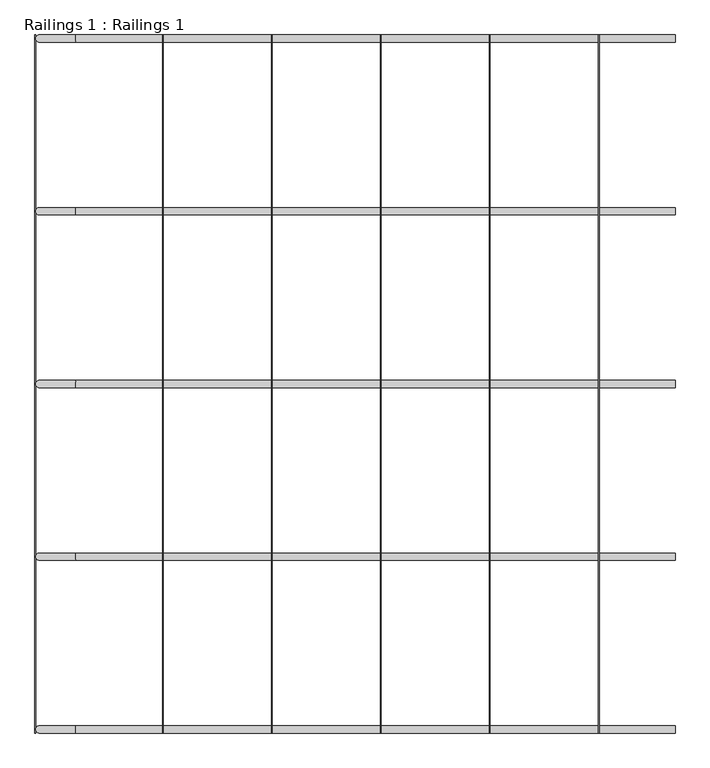
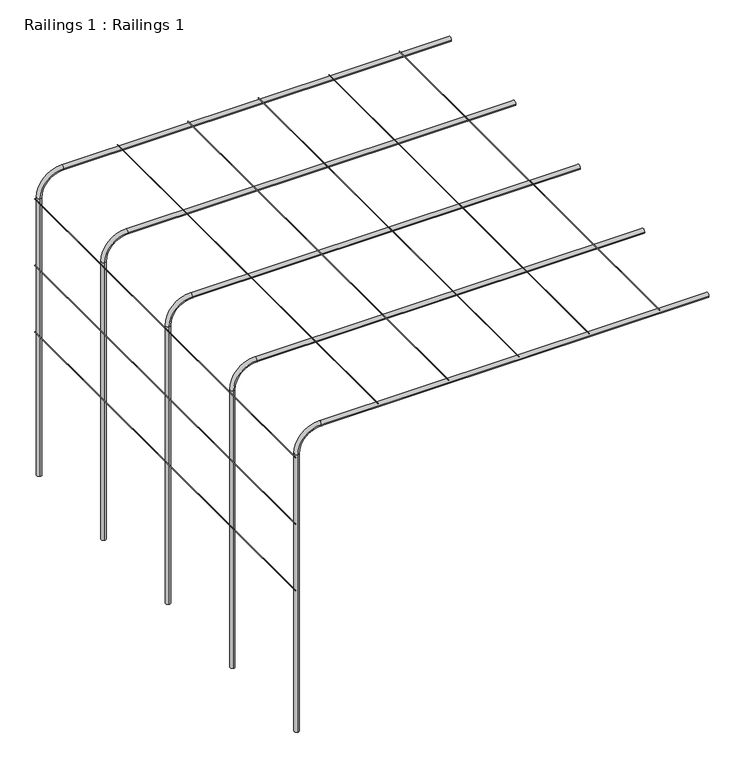
"""IFC4 building model written with IfcOpenShell, lengths in millimetres: railing geometry, Railings 1 : Railings 1."""

from ifc_helpers import new_model, si_unit, point, frame, frame_2d, origin, place, context, project, spatial, circle_curve, ellipse_curve, trimmed, segment, composite_curve, outline, extrude, source, transform, mapped, element, save
from ifc_brep_helpers import plane_surface, cylinder_surface, revolved_surface, advanced_brep


def railings_1_railings_1_2ebdb134(model_context):
    return source(origin(), model_context, "Body", "SolidModel", [
        extrude(outline(composite_curve([segment(trimmed(circle_curve(frame_2d((5522.1875, 5472.9778949)), 2.0), [point((5522.1875, 5470.9778949))], [point((5522.1875, 5474.9778949))], False, "CARTESIAN"), True, "CONTINUOUS"), segment(trimmed(circle_curve(frame_2d((5522.1875, 5472.9778949)), 2.0), [point((5522.1875, 5474.9778949))], [point((5522.1875, 5470.9778949))], False, "CARTESIAN"), True, "CONTINUOUS")], self_intersect=False)), frame((0.0, 32621.9465374, 0.0), z_axis=(0.0, 1.0, 0.0), x_axis=(0.0, 0.0, 1.0)), (0.0, 0.0, 1.0), 3840.0),
        extrude(outline(composite_curve([segment(trimmed(circle_curve(frame_2d((5522.1875, 4872.9778949)), 2.0), [point((5522.1875, 4870.9778949))], [point((5522.1875, 4874.9778949))], False, "CARTESIAN"), True, "CONTINUOUS"), segment(trimmed(circle_curve(frame_2d((5522.1875, 4872.9778949)), 2.0), [point((5522.1875, 4874.9778949))], [point((5522.1875, 4870.9778949))], False, "CARTESIAN"), True, "CONTINUOUS")], self_intersect=False)), frame((0.0, 32621.9465374, 0.0), z_axis=(0.0, 1.0, 0.0), x_axis=(0.0, 0.0, 1.0)), (0.0, 0.0, 1.0), 3840.0),
        extrude(outline(composite_curve([segment(trimmed(circle_curve(frame_2d((5522.1875, 4272.9778949)), 2.0), [point((5522.1875, 4270.9778949))], [point((5522.1875, 4274.9778949))], False, "CARTESIAN"), True, "CONTINUOUS"), segment(trimmed(circle_curve(frame_2d((5522.1875, 4272.9778949)), 2.0), [point((5522.1875, 4274.9778949))], [point((5522.1875, 4270.9778949))], False, "CARTESIAN"), True, "CONTINUOUS")], self_intersect=False)), frame((0.0, 32621.9465374, 0.0), z_axis=(0.0, 1.0, 0.0), x_axis=(0.0, 0.0, 1.0)), (0.0, 0.0, 1.0), 3840.0),
        extrude(outline(composite_curve([segment(trimmed(circle_curve(frame_2d((5522.1875, 3672.9778949)), 2.0), [point((5522.1875, 3670.9778949))], [point((5522.1875, 3674.9778949))], False, "CARTESIAN"), True, "CONTINUOUS"), segment(trimmed(circle_curve(frame_2d((5522.1875, 3672.9778949)), 2.0), [point((5522.1875, 3674.9778949))], [point((5522.1875, 3670.9778949))], False, "CARTESIAN"), True, "CONTINUOUS")], self_intersect=False)), frame((0.0, 32621.9465374, 0.0), z_axis=(0.0, 1.0, 0.0), x_axis=(0.0, 0.0, 1.0)), (0.0, 0.0, 1.0), 3840.0),
        extrude(outline(composite_curve([segment(trimmed(circle_curve(frame_2d((5522.1875, 3072.9778949)), 2.0), [point((5522.1875, 3070.9778949))], [point((5522.1875, 3074.9778949))], False, "CARTESIAN"), True, "CONTINUOUS"), segment(trimmed(circle_curve(frame_2d((5522.1875, 3072.9778949)), 2.0), [point((5522.1875, 3074.9778949))], [point((5522.1875, 3070.9778949))], False, "CARTESIAN"), True, "CONTINUOUS")], self_intersect=False)), frame((0.0, 32621.9465374, 0.0), z_axis=(0.0, 1.0, 0.0), x_axis=(0.0, 0.0, 1.0)), (0.0, 0.0, 1.0), 3840.0),
        extrude(outline(composite_curve([segment(trimmed(circle_curve(frame_2d((5281.2525299, 2370.9786989)), 2.0), [point((5281.2525299, 2368.9786989))], [point((5281.2525299, 2372.9786989))], False, "CARTESIAN"), True, "CONTINUOUS"), segment(trimmed(circle_curve(frame_2d((5281.2525299, 2370.9786989)), 2.0), [point((5281.2525299, 2372.9786989))], [point((5281.2525299, 2368.9786989))], False, "CARTESIAN"), True, "CONTINUOUS")], self_intersect=False)), frame((0.0, 32621.9465374, 0.0), z_axis=(0.0, 1.0, 0.0), x_axis=(0.0, 0.0, 1.0)), (0.0, 0.0, 1.0), 3840.0),
        extrude(outline(composite_curve([segment(trimmed(circle_curve(frame_2d((4681.2525299, 2370.9786989)), 2.0), [point((4681.2525299, 2368.9786989))], [point((4681.2525299, 2372.9786989))], False, "CARTESIAN"), True, "CONTINUOUS"), segment(trimmed(circle_curve(frame_2d((4681.2525299, 2370.9786989)), 2.0), [point((4681.2525299, 2372.9786989))], [point((4681.2525299, 2368.9786989))], False, "CARTESIAN"), True, "CONTINUOUS")], self_intersect=False)), frame((0.0, 32621.9465374, 0.0), z_axis=(0.0, 1.0, 0.0), x_axis=(0.0, 0.0, 1.0)), (0.0, 0.0, 1.0), 3840.0),
        extrude(outline(composite_curve([segment(trimmed(circle_curve(frame_2d((4081.2525299, 2370.9786989)), 2.0), [point((4081.2525299, 2368.9786989))], [point((4081.2525299, 2372.9786989))], False, "CARTESIAN"), True, "CONTINUOUS"), segment(trimmed(circle_curve(frame_2d((4081.2525299, 2370.9786989)), 2.0), [point((4081.2525299, 2372.9786989))], [point((4081.2525299, 2368.9786989))], False, "CARTESIAN"), True, "CONTINUOUS")], self_intersect=False)), frame((0.0, 32621.9465374, 0.0), z_axis=(0.0, 1.0, 0.0), x_axis=(0.0, 0.0, 1.0)), (0.0, 0.0, 1.0), 3840.0),
        advanced_brep(
        [(5892.9778949, 32621.9465374, 5500.0), (5892.9778949, 32661.9465374, 5500.0), (2592.9778949, 32621.9465374, 5500.0), (2592.9778949, 32661.9465374, 5500.0), (2392.9778949, 32661.9465374, 5300.0), (2392.9778949, 32621.9465374, 5300.0), (2392.9778949, 32621.9465374, 2800.0), (2392.9778949, 32661.9465374, 2800.0)],
        [
            (0, 1, circle_curve(frame((5892.9778949, 32641.9465374, 5500.0), z_axis=(1.0, 0.0, 0.0), x_axis=(0.0, 1.0, 0.0)), 20.0)),
            (1, 0, circle_curve(frame((5892.9778949, 32641.9465374, 5500.0), z_axis=(1.0, 0.0, 0.0), x_axis=(0.0, 1.0, 0.0)), 20.0)),
            (0, 2),
            (2, 3, circle_curve(frame((2592.9778949, 32641.9465374, 5500.0), z_axis=(1.0, 0.0, 0.0), x_axis=(0.0, 1.0, 0.0)), 20.0)),
            (3, 1),
            (3, 2, circle_curve(frame((2592.9778949, 32641.9465374, 5500.0), z_axis=(1.0, 0.0, 0.0), x_axis=(0.0, 1.0, 0.0)), 20.0)),
            (4, 3, circle_curve(frame((2592.9778949, 32661.9465374, 5300.0), z_axis=(0.0, 1.0, 0.0), x_axis=(0.0, 0.0, 1.0)), 200.0)),
            (2, 5, circle_curve(frame((2592.9778949, 32621.9465374, 5300.0), z_axis=(0.0, -1.0, 0.0), x_axis=(0.0, 0.0, 1.0)), 200.0)),
            (5, 4, circle_curve(frame((2392.9778949, 32641.9465374, 5300.0), z_axis=(0.0, 0.0, 1.0), x_axis=(0.0, 1.0, 0.0)), 20.0)),
            (4, 5, circle_curve(frame((2392.9778949, 32641.9465374, 5300.0), z_axis=(0.0, 0.0, 1.0), x_axis=(0.0, 1.0, 0.0)), 20.0)),
            (6, 7, circle_curve(frame((2392.9778949, 32641.9465374, 2800.0), z_axis=(0.0, 0.0, -1.0), x_axis=(0.0, 1.0, 0.0)), 20.0)),
            (7, 6, circle_curve(frame((2392.9778949, 32641.9465374, 2800.0), z_axis=(0.0, 0.0, -1.0), x_axis=(0.0, 1.0, 0.0)), 20.0)),
            (5, 6),
            (7, 4),
        ],
        [
            plane_surface(frame((5892.9778949, 31321.9465374, 5500.0), z_axis=(1.0, 0.0, 0.0), x_axis=(0.0, -1.0, 0.0))),
            cylinder_surface(frame((5892.9778949, 32641.9465374, 5500.0), z_axis=(1.0, 0.0, 0.0), x_axis=(0.0, 1.0, 0.0)), 20.0),
            revolved_surface(trimmed(ellipse_curve(frame((2592.9778949, 32641.9465374, 5500.0), z_axis=(1.0, 0.0, 0.0), x_axis=(0.0, 1.0, 0.0)), 20.0, 20.0), [point((2592.9778949, 32621.9465374, 5500.0))], [point((2592.9778949, 32661.9465374, 5500.0))], True, "CARTESIAN"), (2592.9778949, 31321.9465374, 5300.0), (0.0, -1.0, 0.0)),
            revolved_surface(trimmed(ellipse_curve(frame((2592.9778949, 32641.9465374, 5500.0), z_axis=(1.0, 0.0, 0.0), x_axis=(0.0, 1.0, 0.0)), 20.0, 20.0), [point((2592.9778949, 32661.9465374, 5500.0))], [point((2592.9778949, 32621.9465374, 5500.0))], True, "CARTESIAN"), (2592.9778949, 31321.9465374, 5300.0), (0.0, -1.0, 0.0)),
            plane_surface(frame((2392.9778949, 31321.9465374, 2800.0), z_axis=(0.0, 0.0, -1.0), x_axis=(0.0, -1.0, 0.0))),
            cylinder_surface(frame((2392.9778949, 32641.9465374, 5300.0), z_axis=(0.0, 0.0, 1.0), x_axis=(0.0, 1.0, 0.0)), 20.0),
        ],
        [
            (0, [[1, 2]]),
            (1, [[-1, 3, 4, 5]]),
            (1, [[-2, -5, 6, -3]]),
            (2, [[7, -4, 8, 9]]),
            (3, [[-8, -6, -7, 10]]),
            (4, [[11, 12]]),
            (5, [[-9, 13, -12, 14]]),
            (5, [[-10, -14, -11, -13]]),
        ],
    ),
        advanced_brep(
        [(5892.9778949, 33571.9465374, 5500.0), (5892.9778949, 33611.9465374, 5500.0), (2392.9778949, 33571.9465374, 2800.0), (2392.9778949, 33611.9465374, 2800.0), (2592.9778949, 33571.9465374, 5500.0), (2592.9778949, 33611.9465374, 5500.0), (2392.9778949, 33611.9465374, 5300.0), (2392.9778949, 33571.9465374, 5300.0)],
        [
            (0, 1, circle_curve(frame((5892.9778949, 33591.9465374, 5500.0), z_axis=(1.0, 0.0, 0.0), x_axis=(0.0, 1.0, 0.0)), 20.0)),
            (1, 0, circle_curve(frame((5892.9778949, 33591.9465374, 5500.0), z_axis=(1.0, 0.0, 0.0), x_axis=(0.0, 1.0, 0.0)), 20.0)),
            (2, 3, circle_curve(frame((2392.9778949, 33591.9465374, 2800.0), z_axis=(0.0, 0.0, -1.0), x_axis=(0.0, 1.0, 0.0)), 20.0)),
            (3, 2, circle_curve(frame((2392.9778949, 33591.9465374, 2800.0), z_axis=(0.0, 0.0, -1.0), x_axis=(0.0, 1.0, 0.0)), 20.0)),
            (0, 4),
            (4, 5, circle_curve(frame((2592.9778949, 33591.9465374, 5500.0), z_axis=(1.0, 0.0, 0.0), x_axis=(0.0, 1.0, 0.0)), 20.0)),
            (5, 1),
            (5, 4, circle_curve(frame((2592.9778949, 33591.9465374, 5500.0), z_axis=(1.0, 0.0, 0.0), x_axis=(0.0, 1.0, 0.0)), 20.0)),
            (6, 5, circle_curve(frame((2592.9778949, 33611.9465374, 5300.0), z_axis=(0.0, 1.0, 0.0), x_axis=(0.0, 0.0, 1.0)), 200.0)),
            (4, 7, circle_curve(frame((2592.9778949, 33571.9465374, 5300.0), z_axis=(0.0, -1.0, 0.0), x_axis=(0.0, 0.0, 1.0)), 200.0)),
            (7, 6, circle_curve(frame((2392.9778949, 33591.9465374, 5300.0), z_axis=(0.0, 0.0, 1.0), x_axis=(0.0, 1.0, 0.0)), 20.0)),
            (6, 7, circle_curve(frame((2392.9778949, 33591.9465374, 5300.0), z_axis=(0.0, 0.0, 1.0), x_axis=(0.0, 1.0, 0.0)), 20.0)),
            (7, 2),
            (3, 6),
        ],
        [
            plane_surface(frame((5892.9778949, 31321.9465374, 5500.0), z_axis=(1.0, 0.0, 0.0), x_axis=(0.0, -1.0, 0.0))),
            plane_surface(frame((2392.9778949, 31321.9465374, 2800.0), z_axis=(0.0, 0.0, -1.0), x_axis=(0.0, -1.0, 0.0))),
            cylinder_surface(frame((5892.9778949, 33591.9465374, 5500.0), z_axis=(1.0, 0.0, 0.0), x_axis=(0.0, 1.0, 0.0)), 20.0),
            revolved_surface(trimmed(ellipse_curve(frame((2592.9778949, 33591.9465374, 5500.0), z_axis=(1.0, 0.0, 0.0), x_axis=(0.0, 1.0, 0.0)), 20.0, 20.0), [point((2592.9778949, 33571.9465374, 5500.0))], [point((2592.9778949, 33611.9465374, 5500.0))], True, "CARTESIAN"), (2592.9778949, 31321.9465374, 5300.0), (0.0, -1.0, 0.0)),
            revolved_surface(trimmed(ellipse_curve(frame((2592.9778949, 33591.9465374, 5500.0), z_axis=(1.0, 0.0, 0.0), x_axis=(0.0, 1.0, 0.0)), 20.0, 20.0), [point((2592.9778949, 33611.9465374, 5500.0))], [point((2592.9778949, 33571.9465374, 5500.0))], True, "CARTESIAN"), (2592.9778949, 31321.9465374, 5300.0), (0.0, -1.0, 0.0)),
            cylinder_surface(frame((2392.9778949, 33591.9465374, 5300.0), z_axis=(0.0, 0.0, 1.0), x_axis=(0.0, 1.0, 0.0)), 20.0),
        ],
        [
            (0, [[1, 2]]),
            (1, [[3, 4]]),
            (2, [[-1, 5, 6, 7]]),
            (2, [[-2, -7, 8, -5]]),
            (3, [[9, -6, 10, 11]]),
            (4, [[-10, -8, -9, 12]]),
            (5, [[-11, 13, -4, 14]]),
            (5, [[-12, -14, -3, -13]]),
        ],
    ),
        advanced_brep(
        [(5892.9778949, 34521.9465374, 5500.0), (5892.9778949, 34561.9465374, 5500.0), (2392.9778949, 34521.9465374, 2800.0), (2392.9778949, 34561.9465374, 2800.0), (2592.9778949, 34521.9465374, 5500.0), (2592.9778949, 34561.9465374, 5500.0), (2392.9778949, 34561.9465374, 5300.0), (2392.9778949, 34521.9465374, 5300.0)],
        [
            (0, 1, circle_curve(frame((5892.9778949, 34541.9465374, 5500.0), z_axis=(1.0, 0.0, 0.0), x_axis=(0.0, 1.0, 0.0)), 20.0)),
            (1, 0, circle_curve(frame((5892.9778949, 34541.9465374, 5500.0), z_axis=(1.0, 0.0, 0.0), x_axis=(0.0, 1.0, 0.0)), 20.0)),
            (2, 3, circle_curve(frame((2392.9778949, 34541.9465374, 2800.0), z_axis=(0.0, 0.0, -1.0), x_axis=(0.0, 1.0, 0.0)), 20.0)),
            (3, 2, circle_curve(frame((2392.9778949, 34541.9465374, 2800.0), z_axis=(0.0, 0.0, -1.0), x_axis=(0.0, 1.0, 0.0)), 20.0)),
            (0, 4),
            (4, 5, circle_curve(frame((2592.9778949, 34541.9465374, 5500.0), z_axis=(1.0, 0.0, 0.0), x_axis=(0.0, 1.0, 0.0)), 20.0)),
            (5, 1),
            (5, 4, circle_curve(frame((2592.9778949, 34541.9465374, 5500.0), z_axis=(1.0, 0.0, 0.0), x_axis=(0.0, 1.0, 0.0)), 20.0)),
            (6, 5, circle_curve(frame((2592.9778949, 34561.9465374, 5300.0), z_axis=(0.0, 1.0, 0.0), x_axis=(0.0, 0.0, 1.0)), 200.0)),
            (4, 7, circle_curve(frame((2592.9778949, 34521.9465374, 5300.0), z_axis=(0.0, -1.0, 0.0), x_axis=(0.0, 0.0, 1.0)), 200.0)),
            (7, 6, circle_curve(frame((2392.9778949, 34541.9465374, 5300.0), z_axis=(0.0, 0.0, 1.0), x_axis=(0.0, 1.0, 0.0)), 20.0)),
            (6, 7, circle_curve(frame((2392.9778949, 34541.9465374, 5300.0), z_axis=(0.0, 0.0, 1.0), x_axis=(0.0, 1.0, 0.0)), 20.0)),
            (7, 2),
            (3, 6),
        ],
        [
            plane_surface(frame((5892.9778949, 31321.9465374, 5500.0), z_axis=(1.0, 0.0, 0.0), x_axis=(0.0, -1.0, 0.0))),
            plane_surface(frame((2392.9778949, 31321.9465374, 2800.0), z_axis=(0.0, 0.0, -1.0), x_axis=(0.0, -1.0, 0.0))),
            cylinder_surface(frame((5892.9778949, 34541.9465374, 5500.0), z_axis=(1.0, 0.0, 0.0), x_axis=(0.0, 1.0, 0.0)), 20.0),
            revolved_surface(trimmed(ellipse_curve(frame((2592.9778949, 34541.9465374, 5500.0), z_axis=(1.0, 0.0, 0.0), x_axis=(0.0, 1.0, 0.0)), 20.0, 20.0), [point((2592.9778949, 34521.9465374, 5500.0))], [point((2592.9778949, 34561.9465374, 5500.0))], True, "CARTESIAN"), (2592.9778949, 31321.9465374, 5300.0), (0.0, -1.0, 0.0)),
            revolved_surface(trimmed(ellipse_curve(frame((2592.9778949, 34541.9465374, 5500.0), z_axis=(1.0, 0.0, 0.0), x_axis=(0.0, 1.0, 0.0)), 20.0, 20.0), [point((2592.9778949, 34561.9465374, 5500.0))], [point((2592.9778949, 34521.9465374, 5500.0))], True, "CARTESIAN"), (2592.9778949, 31321.9465374, 5300.0), (0.0, -1.0, 0.0)),
            cylinder_surface(frame((2392.9778949, 34541.9465374, 5300.0), z_axis=(0.0, 0.0, 1.0), x_axis=(0.0, 1.0, 0.0)), 20.0),
        ],
        [
            (0, [[1, 2]]),
            (1, [[3, 4]]),
            (2, [[-1, 5, 6, 7]]),
            (2, [[-2, -7, 8, -5]]),
            (3, [[9, -6, 10, 11]]),
            (4, [[-10, -8, -9, 12]]),
            (5, [[-11, 13, -4, 14]]),
            (5, [[-12, -14, -3, -13]]),
        ],
    ),
        advanced_brep(
        [(5892.9778949, 35471.9465374, 5500.0), (5892.9778949, 35511.9465374, 5500.0), (2392.9778949, 35471.9465374, 2800.0), (2392.9778949, 35511.9465374, 2800.0), (2592.9778949, 35471.9465374, 5500.0), (2592.9778949, 35511.9465374, 5500.0), (2392.9778949, 35511.9465374, 5300.0), (2392.9778949, 35471.9465374, 5300.0)],
        [
            (0, 1, circle_curve(frame((5892.9778949, 35491.9465374, 5500.0), z_axis=(1.0, 0.0, 0.0), x_axis=(0.0, 1.0, 0.0)), 20.0)),
            (1, 0, circle_curve(frame((5892.9778949, 35491.9465374, 5500.0), z_axis=(1.0, 0.0, 0.0), x_axis=(0.0, 1.0, 0.0)), 20.0)),
            (2, 3, circle_curve(frame((2392.9778949, 35491.9465374, 2800.0), z_axis=(0.0, 0.0, -1.0), x_axis=(0.0, 1.0, 0.0)), 20.0)),
            (3, 2, circle_curve(frame((2392.9778949, 35491.9465374, 2800.0), z_axis=(0.0, 0.0, -1.0), x_axis=(0.0, 1.0, 0.0)), 20.0)),
            (0, 4),
            (4, 5, circle_curve(frame((2592.9778949, 35491.9465374, 5500.0), z_axis=(1.0, 0.0, 0.0), x_axis=(0.0, 1.0, 0.0)), 20.0)),
            (5, 1),
            (5, 4, circle_curve(frame((2592.9778949, 35491.9465374, 5500.0), z_axis=(1.0, 0.0, 0.0), x_axis=(0.0, 1.0, 0.0)), 20.0)),
            (6, 5, circle_curve(frame((2592.9778949, 35511.9465374, 5300.0), z_axis=(0.0, 1.0, 0.0), x_axis=(0.0, 0.0, 1.0)), 200.0)),
            (4, 7, circle_curve(frame((2592.9778949, 35471.9465374, 5300.0), z_axis=(0.0, -1.0, 0.0), x_axis=(0.0, 0.0, 1.0)), 200.0)),
            (7, 6, circle_curve(frame((2392.9778949, 35491.9465374, 5300.0), z_axis=(0.0, 0.0, 1.0), x_axis=(0.0, 1.0, 0.0)), 20.0)),
            (6, 7, circle_curve(frame((2392.9778949, 35491.9465374, 5300.0), z_axis=(0.0, 0.0, 1.0), x_axis=(0.0, 1.0, 0.0)), 20.0)),
            (7, 2),
            (3, 6),
        ],
        [
            plane_surface(frame((5892.9778949, 31321.9465374, 5500.0), z_axis=(1.0, 0.0, 0.0), x_axis=(0.0, -1.0, 0.0))),
            plane_surface(frame((2392.9778949, 31321.9465374, 2800.0), z_axis=(0.0, 0.0, -1.0), x_axis=(0.0, -1.0, 0.0))),
            cylinder_surface(frame((5892.9778949, 35491.9465374, 5500.0), z_axis=(1.0, 0.0, 0.0), x_axis=(0.0, 1.0, 0.0)), 20.0),
            revolved_surface(trimmed(ellipse_curve(frame((2592.9778949, 35491.9465374, 5500.0), z_axis=(1.0, 0.0, 0.0), x_axis=(0.0, 1.0, 0.0)), 20.0, 20.0), [point((2592.9778949, 35471.9465374, 5500.0))], [point((2592.9778949, 35511.9465374, 5500.0))], True, "CARTESIAN"), (2592.9778949, 31321.9465374, 5300.0), (0.0, -1.0, 0.0)),
            revolved_surface(trimmed(ellipse_curve(frame((2592.9778949, 35491.9465374, 5500.0), z_axis=(1.0, 0.0, 0.0), x_axis=(0.0, 1.0, 0.0)), 20.0, 20.0), [point((2592.9778949, 35511.9465374, 5500.0))], [point((2592.9778949, 35471.9465374, 5500.0))], True, "CARTESIAN"), (2592.9778949, 31321.9465374, 5300.0), (0.0, -1.0, 0.0)),
            cylinder_surface(frame((2392.9778949, 35491.9465374, 5300.0), z_axis=(0.0, 0.0, 1.0), x_axis=(0.0, 1.0, 0.0)), 20.0),
        ],
        [
            (0, [[1, 2]]),
            (1, [[3, 4]]),
            (2, [[-1, 5, 6, 7]]),
            (2, [[-2, -7, 8, -5]]),
            (3, [[9, -6, 10, 11]]),
            (4, [[-10, -8, -9, 12]]),
            (5, [[-11, 13, -4, 14]]),
            (5, [[-12, -14, -3, -13]]),
        ],
    ),
        advanced_brep(
        [(5892.9778949, 36421.9465374, 5500.0), (5892.9778949, 36461.9465374, 5500.0), (2392.9778949, 36421.9465374, 2800.0), (2392.9778949, 36461.9465374, 2800.0), (2592.9778949, 36421.9465374, 5500.0), (2592.9778949, 36461.9465374, 5500.0), (2392.9778949, 36461.9465374, 5300.0), (2392.9778949, 36421.9465374, 5300.0)],
        [
            (0, 1, circle_curve(frame((5892.9778949, 36441.9465374, 5500.0), z_axis=(1.0, 0.0, 0.0), x_axis=(0.0, 1.0, 0.0)), 20.0)),
            (1, 0, circle_curve(frame((5892.9778949, 36441.9465374, 5500.0), z_axis=(1.0, 0.0, 0.0), x_axis=(0.0, 1.0, 0.0)), 20.0)),
            (2, 3, circle_curve(frame((2392.9778949, 36441.9465374, 2800.0), z_axis=(0.0, 0.0, -1.0), x_axis=(0.0, 1.0, 0.0)), 20.0)),
            (3, 2, circle_curve(frame((2392.9778949, 36441.9465374, 2800.0), z_axis=(0.0, 0.0, -1.0), x_axis=(0.0, 1.0, 0.0)), 20.0)),
            (0, 4),
            (4, 5, circle_curve(frame((2592.9778949, 36441.9465374, 5500.0), z_axis=(1.0, 0.0, 0.0), x_axis=(0.0, 1.0, 0.0)), 20.0)),
            (5, 1),
            (5, 4, circle_curve(frame((2592.9778949, 36441.9465374, 5500.0), z_axis=(1.0, 0.0, 0.0), x_axis=(0.0, 1.0, 0.0)), 20.0)),
            (6, 5, circle_curve(frame((2592.9778949, 36461.9465374, 5300.0), z_axis=(0.0, 1.0, 0.0), x_axis=(0.0, 0.0, 1.0)), 200.0)),
            (4, 7, circle_curve(frame((2592.9778949, 36421.9465374, 5300.0), z_axis=(0.0, -1.0, 0.0), x_axis=(0.0, 0.0, 1.0)), 200.0)),
            (7, 6, circle_curve(frame((2392.9778949, 36441.9465374, 5300.0), z_axis=(0.0, 0.0, 1.0), x_axis=(0.0, 1.0, 0.0)), 20.0)),
            (6, 7, circle_curve(frame((2392.9778949, 36441.9465374, 5300.0), z_axis=(0.0, 0.0, 1.0), x_axis=(0.0, 1.0, 0.0)), 20.0)),
            (7, 2),
            (3, 6),
        ],
        [
            plane_surface(frame((5892.9778949, 31321.9465374, 5500.0), z_axis=(1.0, 0.0, 0.0), x_axis=(0.0, -1.0, 0.0))),
            plane_surface(frame((2392.9778949, 31321.9465374, 2800.0), z_axis=(0.0, 0.0, -1.0), x_axis=(0.0, -1.0, 0.0))),
            cylinder_surface(frame((5892.9778949, 36441.9465374, 5500.0), z_axis=(1.0, 0.0, 0.0), x_axis=(0.0, 1.0, 0.0)), 20.0),
            revolved_surface(trimmed(ellipse_curve(frame((2592.9778949, 36441.9465374, 5500.0), z_axis=(1.0, 0.0, 0.0), x_axis=(0.0, 1.0, 0.0)), 20.0, 20.0), [point((2592.9778949, 36421.9465374, 5500.0))], [point((2592.9778949, 36461.9465374, 5500.0))], True, "CARTESIAN"), (2592.9778949, 31321.9465374, 5300.0), (0.0, -1.0, 0.0)),
            revolved_surface(trimmed(ellipse_curve(frame((2592.9778949, 36441.9465374, 5500.0), z_axis=(1.0, 0.0, 0.0), x_axis=(0.0, 1.0, 0.0)), 20.0, 20.0), [point((2592.9778949, 36461.9465374, 5500.0))], [point((2592.9778949, 36421.9465374, 5500.0))], True, "CARTESIAN"), (2592.9778949, 31321.9465374, 5300.0), (0.0, -1.0, 0.0)),
            cylinder_surface(frame((2392.9778949, 36441.9465374, 5300.0), z_axis=(0.0, 0.0, 1.0), x_axis=(0.0, 1.0, 0.0)), 20.0),
        ],
        [
            (0, [[1, 2]]),
            (1, [[3, 4]]),
            (2, [[-1, 5, 6, 7]]),
            (2, [[-2, -7, 8, -5]]),
            (3, [[9, -6, 10, 11]]),
            (4, [[-10, -8, -9, 12]]),
            (5, [[-11, 13, -4, 14]]),
            (5, [[-12, -14, -3, -13]]),
        ],
    ),
    ])


if __name__ == "__main__":
    model = new_model("IFC4")
    model_context = context("Model", 3, world=origin())
    ifc_project = project(units=[si_unit("LENGTHUNIT", "METRE", prefix="MILLI")], contexts=[model_context])
    site = spatial("IfcSite", under=ifc_project)
    building = spatial("IfcBuilding", under=site)
    placement = place(None, origin())
    railings_1_railings_1_shape = railings_1_railings_1_2ebdb134(model_context)
    element("IfcRailing", 1, ObjectType="Railings 1 : Railings 1", at=placement, inside=building, context=model_context, shape_type="MappedRepresentation", body=[
        mapped(railings_1_railings_1_shape, transform((0.0, 0.0, 0.0), x_axis=(1.0, 0.0, 0.0), y_axis=(0.0, 1.0, 0.0), z_axis=(0.0, 0.0, 1.0))),
    ])
    save(model, "model.ifc")
